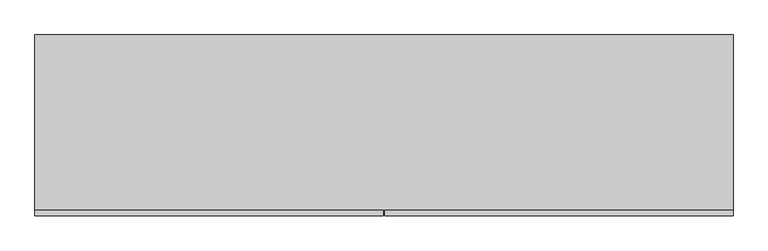
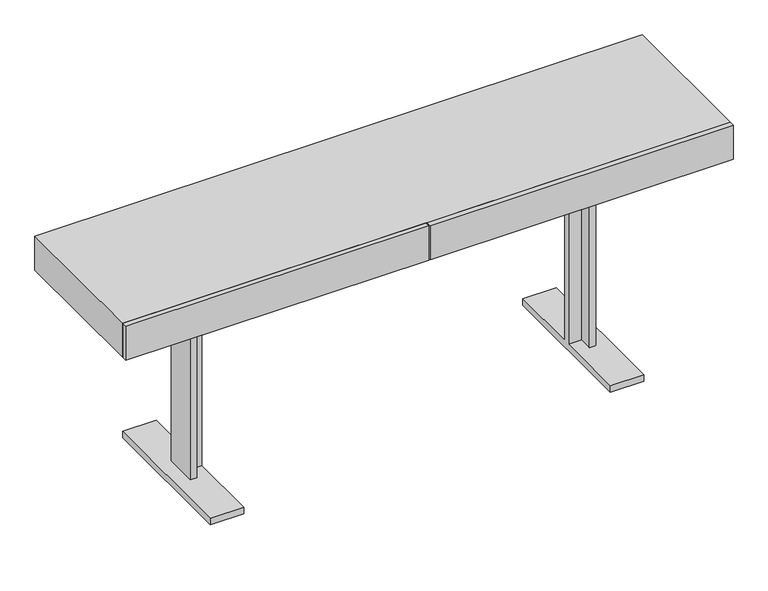
"""IFC4 building model written with IfcOpenShell, lengths in millimetres: furniture geometry."""

from ifc_helpers import new_model, si_unit, frame, origin, place, context, project, spatial, polyline, outline, extrude, faceted_brep, source, transform, mapped, element, save


def furniture_f9616f0a(model_context):
    return source(origin(), model_context, "Body", "SolidModel", [
        faceted_brep([(-600.6462619, -54.3141225, 610.8898437), (-581.5962619, -54.3141225, 610.8898437), (-581.5962619, -13.8140652, 610.8898437), (580.9414181, -13.8140652, 610.8898437), (580.9414181, -54.3141225, 610.8898437), (599.9914181, -54.3141225, 610.8898437), (599.9914181, 43.6910418, 610.8898437), (580.9414181, 43.6910418, 610.8898437), (580.9414181, 5.4884, 610.8898437), (-581.5962619, 5.4884, 610.8898437), (-581.5962619, 43.6910418, 610.8898437), (-600.6462619, 43.6910418, 610.8898437), (-600.6462619, -54.3141225, 19.8859728), (-581.5962619, -54.3141225, 19.8859728), (-581.5962619, -13.8140652, 19.8859728), (-543.1462106, -13.8140652, 560.0898437), (542.4913668, -13.8140652, 560.0898437), (542.4913668, -13.8140652, 19.8859728), (580.9414181, -13.8140652, 19.8859728), (-543.1462106, -13.8140652, 19.8859728), (-543.1462106, 5.4884, 560.0898437), (-543.1462106, -228.6040836, 19.8859728), (-543.1462106, -228.6040836, 0.0), (-543.1462106, 219.9758393, 0.0), (-543.1462106, 219.9758393, 19.8859728), (-543.1462106, 5.4884, 19.8859728), (542.4913668, 5.4884, 560.0898437), (-581.5962619, 5.4884, 19.8859728), (580.9414181, 5.4884, 19.8859728), (542.4913668, 5.4884, 19.8859728), (-581.5962619, 43.6910418, 19.8859728), (-600.6462619, 43.6910418, 19.8859728), (580.9414181, -54.3141225, 19.8859728), (599.9914181, -54.3141225, 19.8859728), (542.4913668, 219.9758393, 19.8859728), (542.4913668, 219.9758393, 0.0), (542.4913668, -228.6040836, 0.0), (542.4913668, -228.6040836, 19.8859728), (580.9414181, 43.6910418, 19.8859728), (599.9914181, 43.6910418, 19.8859728), (-642.1462724, 219.9758393, 19.8859728), (-642.1462724, -228.6040836, 19.8859728), (-642.1462724, -228.6040836, 0.0), (-642.1462724, 219.9758393, 0.0), (641.4914286, -228.6040836, 19.8859728), (641.4914286, 219.9758393, 19.8859728), (641.4914286, 219.9758393, 0.0), (641.4914286, -228.6040836, 0.0)], [[[0, 1, 2, 3, 4, 5, 6, 7, 8, 9, 10, 11]], [[1, 0, 12, 13]], [[2, 1, 13, 14]], [[15, 16, 17, 18, 3, 2, 14, 19]], [[20, 15, 19, 21, 22, 23, 24, 25]], [[26, 20, 25, 27, 9, 8, 28, 29]], [[10, 9, 27, 30]], [[11, 10, 30, 31]], [[0, 11, 31, 12]], [[20, 26, 16, 15]], [[5, 4, 32, 33]], [[4, 3, 18, 32]], [[26, 29, 34, 35, 36, 37, 17, 16]], [[8, 7, 38, 28]], [[7, 6, 39, 38]], [[6, 5, 33, 39]], [[24, 40, 41, 21, 19, 14, 13, 12, 31, 30, 27, 25]], [[23, 22, 42, 43]], [[40, 24, 23, 43]], [[41, 40, 43, 42]], [[21, 41, 42, 22]], [[37, 44, 45, 34, 29, 28, 38, 39, 33, 32, 18, 17]], [[35, 46, 47, 36]], [[34, 45, 46, 35]], [[45, 44, 47, 46]], [[44, 37, 36, 47]]]),
        extrude(outline(polyline([(898.525, -225.425), (898.525, -240.42624), (1.984375, -240.42624), (1.984375, -225.425), (898.525, -225.425)])), frame((0.0, 0.0, 610.8898437), z_axis=(0.0, 0.0, 1.0), x_axis=(1.0, 0.0, 0.0)), (0.0, 0.0, 1.0), 106.6601562),
        extrude(outline(polyline([(-1.984375, -225.425), (-1.984375, -240.42624), (-898.525, -240.42624), (-898.525, -225.425), (-1.984375, -225.425)])), frame((0.0, 0.0, 610.8898437), z_axis=(0.0, 0.0, 1.0), x_axis=(1.0, 0.0, 0.0)), (0.0, 0.0, 1.0), 106.6601562),
        extrude(outline(polyline([(898.525, 225.425), (898.525, -225.425), (-898.525, -225.425), (-898.525, 225.425), (898.525, 225.425)])), frame((0.0, 0.0, 610.8898437), z_axis=(0.0, 0.0, 1.0), x_axis=(1.0, 0.0, 0.0)), (0.0, 0.0, 1.0), 106.6601562),
    ])


if __name__ == "__main__":
    model = new_model("IFC4")
    model_context = context("Model", 3, world=origin())
    ifc_project = project(units=[si_unit("LENGTHUNIT", "METRE", prefix="MILLI")], contexts=[model_context])
    site = spatial("IfcSite", under=ifc_project)
    building = spatial("IfcBuilding", under=site)
    placement = place(None, origin())
    furniture_shape = furniture_f9616f0a(model_context)
    element("IfcFurniture", 1, at=placement, inside=building, context=model_context, shape_type="MappedRepresentation", body=[
        mapped(furniture_shape, transform((0.0, 0.0, 0.0), x_axis=(1.0, 0.0, 0.0), y_axis=(0.0, 1.0, 0.0), z_axis=(0.0, 0.0, 1.0))),
    ])
    save(model, "model.ifc")
